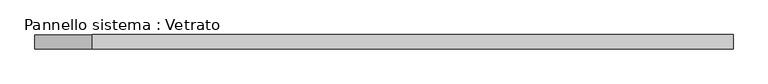
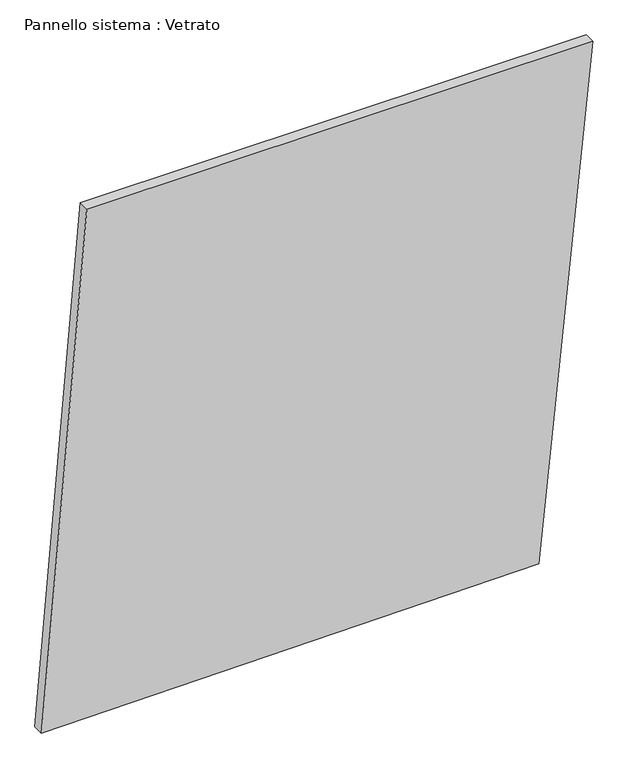
"""IFC4 building model written with IfcOpenShell, lengths in millimetres: plate geometry, Pannello sistema : Vetrato."""

import ifcopenshell
import ifcopenshell.guid

model = None  # the IFC model being written
_history = None  # IfcOwnerHistory: only IFC2X3 demands one
_inside = {}  # id of a spatial element -> (the spatial element, [elements in it])
_under = {}  # id of a project, library or spatial element -> (it, [spatial elements below it])
_declared = {}  # id of a project -> (the project, [libraries it declares])
_typed = {}  # id of a type object -> (the type object, [elements of that type])
_made_of = {}  # id of a material, layer set ... -> (it, [elements and type objects made of it])


def new_model(schema):
    """Start an empty IFC model of exactly this schema.

    Asked for "IFC4X3", IfcOpenShell would pick the latest addendum, in which some entities
    have other attributes; the version numbers below select the first issue.
    IFC2X3 requires an IfcOwnerHistory on every rooted entity: one is made here for all.
    """
    global model, _history
    if schema == "IFC4X3":
        model = ifcopenshell.file(schema_version=(4, 3, 0, 0))
    else:
        model = ifcopenshell.file(schema=schema)
    _inside.clear()
    _under.clear()
    _declared.clear()
    _typed.clear()
    _made_of.clear()
    _history = None
    if model.schema == "IFC2X3":
        org = make("IfcOrganization", Name="unknown")
        user = make(
            "IfcPersonAndOrganization",
            ThePerson=make("IfcPerson", FamilyName="unknown"),
            TheOrganization=org,
        )
        app = make(
            "IfcApplication",
            ApplicationDeveloper=org,
            Version="unknown",
            ApplicationFullName="unknown",
            ApplicationIdentifier="unknown",
        )
        _history = make(
            "IfcOwnerHistory",
            OwningUser=user,
            OwningApplication=app,
            ChangeAction="ADDED",
            CreationDate=0,
        )
    return model


def make(cls, **values):
    """One entity of the class cls with the attributes given. An attribute that is None is left unset."""
    return model.create_entity(
        cls, **{name: value for name, value in values.items() if value is not None}
    )


def rooted(cls, **values):
    """An entity with a GlobalId (a new one), such as an element, a storey or a relation."""
    return make(cls, GlobalId=ifcopenshell.guid.new(), OwnerHistory=_history, **values)


def si_unit(unit_type, name, prefix=None):
    """IfcSIUnit, for example si_unit("LENGTHUNIT", "METRE", prefix="MILLI")."""
    return make("IfcSIUnit", UnitType=unit_type, Prefix=prefix, Name=name)


def assignment(units):
    """IfcUnitAssignment: the units of a project."""
    return None if units is None else make("IfcUnitAssignment", Units=units)


def point(xyz):
    """IfcCartesianPoint."""
    return None if xyz is None else make("IfcCartesianPoint", Coordinates=xyz)


def direction(xyz):
    """IfcDirection."""
    return None if xyz is None else make("IfcDirection", DirectionRatios=xyz)


def frame(location, z_axis=None, x_axis=None):
    """IfcAxis2Placement3D, a coordinate frame: its origin and axes. An axis left out is left unset."""
    return make(
        "IfcAxis2Placement3D",
        Location=point(location),
        Axis=direction(z_axis),
        RefDirection=direction(x_axis),
    )


def origin():
    """The frame at (0, 0, 0) with its axes left unset."""
    return frame((0.0, 0.0, 0.0))


def place(relative_to, where):
    """IfcLocalPlacement: puts the frame where relative to a parent placement (None: the world)."""
    return make(
        "IfcLocalPlacement", PlacementRelTo=relative_to, RelativePlacement=where
    )


def context(
    kind, dimensions, precision=None, world=None, true_north=None, identifier=None
):
    """IfcGeometricRepresentationContext, for example the 3D "Model" context."""
    return make(
        "IfcGeometricRepresentationContext",
        ContextIdentifier=identifier,
        ContextType=kind,
        CoordinateSpaceDimension=dimensions,
        Precision=precision,
        WorldCoordinateSystem=world,
        TrueNorth=true_north,
    )


def project(units=None, contexts=None):
    """IfcProject with its units and contexts."""
    return rooted(
        "IfcProject",
        Name="project",
        RepresentationContexts=contexts,
        UnitsInContext=assignment(units),
    )


def spatial(cls, under=None, at=None, **own):
    """A site, building, storey or space (cls), placed at a placement, below another one or the project."""
    s = rooted(cls, ObjectPlacement=at, **own)
    if under is not None:
        _under.setdefault(under.id(), (under, []))[1].append(s)
    return s


def polyline(points):
    """IfcPolyline through the points."""
    return make("IfcPolyline", Points=[point(p) for p in points])


def outline(outer, holes=None, kind="AREA"):
    """IfcArbitraryClosedProfileDef: a profile drawn as a closed curve; with holes, ...WithVoids."""
    if holes is None:
        return make("IfcArbitraryClosedProfileDef", ProfileType=kind, OuterCurve=outer)
    return make(
        "IfcArbitraryProfileDefWithVoids",
        ProfileType=kind,
        OuterCurve=outer,
        InnerCurves=holes,
    )


def extrude(swept, where, along, depth):
    """IfcExtrudedAreaSolid: the profile swept, set in the frame where, extruded along a direction by depth."""
    return make(
        "IfcExtrudedAreaSolid",
        SweptArea=swept,
        Position=where,
        ExtrudedDirection=direction(along),
        Depth=depth,
    )


def shape(context_of_items, identifier, shape_type, items):
    """IfcShapeRepresentation: the items that make up one representation, for example the "Body"."""
    return make(
        "IfcShapeRepresentation",
        ContextOfItems=context_of_items,
        RepresentationIdentifier=identifier,
        RepresentationType=shape_type,
        Items=items,
    )


def source(mapping_origin, context_of_items, identifier, shape_type, items):
    """IfcRepresentationMap: a shape defined once, which mapped items show again and again."""
    return make(
        "IfcRepresentationMap",
        MappingOrigin=mapping_origin,
        MappedRepresentation=shape(context_of_items, identifier, shape_type, items),
    )


def transform(
    local_origin,
    x_axis=None,
    y_axis=None,
    z_axis=None,
    scale=None,
    scale2=None,
    scale3=None,
    uniform=True,
):
    """IfcCartesianTransformationOperator3D, or its non-uniform kind. x_axis, y_axis, z_axis: its Axis1, 2, 3."""
    if uniform:
        return make(
            "IfcCartesianTransformationOperator3D",
            Axis1=direction(x_axis),
            Axis2=direction(y_axis),
            LocalOrigin=point(local_origin),
            Scale=scale,
            Axis3=direction(z_axis),
        )
    return make(
        "IfcCartesianTransformationOperator3DnonUniform",
        Axis1=direction(x_axis),
        Axis2=direction(y_axis),
        LocalOrigin=point(local_origin),
        Scale=scale,
        Axis3=direction(z_axis),
        Scale2=scale2,
        Scale3=scale3,
    )


def mapped(mapping_source, mapping_target):
    """IfcMappedItem: shows the shape of a source again, moved by a transform."""
    return make(
        "IfcMappedItem", MappingSource=mapping_source, MappingTarget=mapping_target
    )


def made_of(thing, what):
    """Note that an element or type object is made of a material, layer set ...; save() writes the relation."""
    if what is not None:
        _made_of.setdefault(what.id(), (what, []))[1].append(thing)
    return thing


def element(
    cls,
    number,
    at=None,
    inside=None,
    cuts=None,
    type_object=None,
    material=None,
    context=None,
    identifier="Body",
    shape_type=None,
    held_by="IfcProductDefinitionShape",
    body=None,
    shapes=None,
    **own,
):
    """One element of the class cls, such as IfcWall. Its Tag is "e" and its number.

    at: its placement. inside: the storey or other place that contains it. cuts: it is an
    opening in that element (IfcRelVoidsElement). A single representation is given by context,
    identifier, shape_type and body (its items); several are given by shapes. held_by: the class
    of the entity that holds the representations. save() writes the other relations.
    """
    e = rooted(cls, Tag="e%d" % number, ObjectPlacement=at, **own)
    if body is not None:
        shapes = [shape(context, identifier, shape_type, body)]
    if shapes is not None:
        e.Representation = make(held_by, Representations=shapes)
    if inside is not None:
        _inside.setdefault(inside.id(), (inside, []))[1].append(e)
    if cuts is not None:
        rooted(
            "IfcRelVoidsElement", RelatingBuildingElement=cuts, RelatedOpeningElement=e
        )
    if type_object is not None:
        _typed.setdefault(type_object.id(), (type_object, []))[1].append(e)
    return made_of(e, material)


def aggregate(whole, parts):
    """IfcRelAggregates: a whole, such as a stair, and the parts it consists of."""
    return rooted("IfcRelAggregates", RelatingObject=whole, RelatedObjects=parts)


def save(model, path):
    """Write the relations noted so far, then the file.

    IfcRelAggregates (storeys below a building ...), IfcRelContainedInSpatialStructure (elements
    in a storey), IfcRelDefinesByType, IfcRelAssociatesMaterial and IfcRelDeclares: one each for
    every whole, place, type object, material and project.
    """
    for whole, parts in _under.values():
        aggregate(whole, parts)
    for where, things in _inside.values():
        rooted(
            "IfcRelContainedInSpatialStructure",
            RelatedElements=things,
            RelatingStructure=where,
        )
    for kind, things in _typed.values():
        rooted("IfcRelDefinesByType", RelatedObjects=things, RelatingType=kind)
    for what, things in _made_of.values():
        rooted("IfcRelAssociatesMaterial", RelatedObjects=things, RelatingMaterial=what)
    for by, libraries in _declared.values():
        rooted("IfcRelDeclares", RelatingContext=by, RelatedDefinitions=libraries)
    model.write(path)


def pannello_sistema_vetrato_6bc5656e(model_context):
    return source(origin(), model_context, "Body", "SweptSolid", [
        extrude(outline(polyline([(0.0, -733.4966252), (13.3457579, 589.5754932), (1431.3846606, 733.4966252), (1431.3846441, -612.9735071), (0.0, -733.4966252)])), frame((0.0, -15.0, 0.0), z_axis=(0.0, 1.0, 0.0), x_axis=(0.0, 0.0, 1.0)), (0.0, 0.0, 1.0), 30.0),
    ])


if __name__ == "__main__":
    model = new_model("IFC4")
    model_context = context("Model", 3, world=origin())
    ifc_project = project(units=[si_unit("LENGTHUNIT", "METRE", prefix="MILLI")], contexts=[model_context])
    site = spatial("IfcSite", under=ifc_project)
    building = spatial("IfcBuilding", under=site)
    placement = place(None, origin())
    pannello_sistema_vetrato_shape = pannello_sistema_vetrato_6bc5656e(model_context)
    element("IfcPlate", 1, ObjectType="Pannello sistema : Vetrato", at=placement, inside=building, context=model_context, shape_type="MappedRepresentation", body=[
        mapped(pannello_sistema_vetrato_shape, transform((0.0, 0.0, 0.0), x_axis=(1.0, 0.0, 0.0), y_axis=(0.0, 1.0, 0.0), z_axis=(0.0, 0.0, 1.0))),
    ])
    save(model, "model.ifc")
